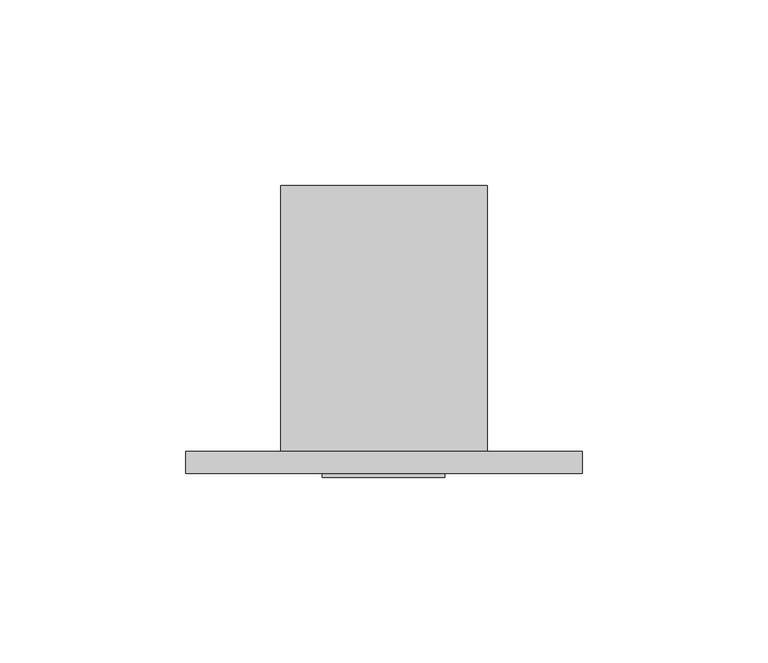
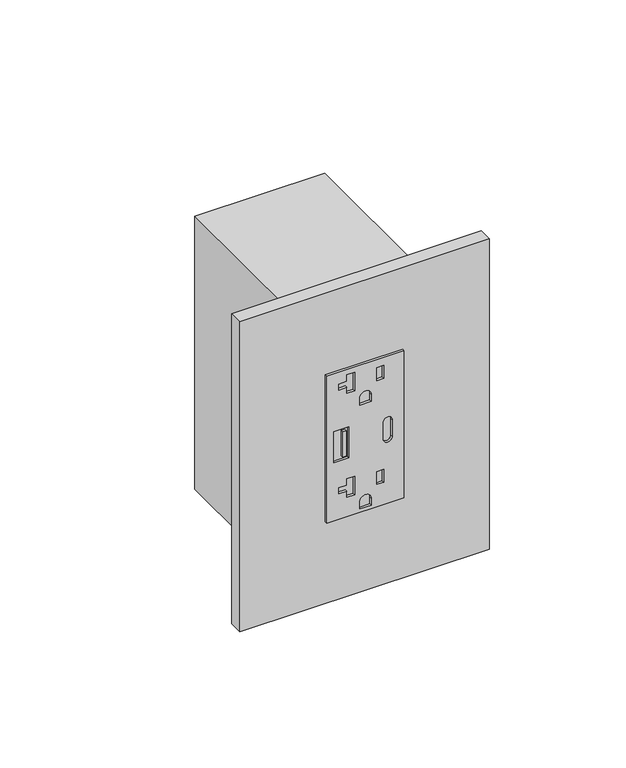
"""IFC4 building model written with IfcOpenShell, lengths in millimetres: proxy geometry."""

from ifc_helpers import new_model, si_unit, point, frame, frame_2d, origin, place, context, project, spatial, polyline, circle_curve, trimmed, segment, composite_curve, outline, extrude, source, transform, mapped, element, save


def electrical_fixtures_a27f54d7(model_context):
    return source(origin(), model_context, "Body", "SweptSolid", [
        extrude(outline(polyline([(414.274, 11.0998), (347.726, 11.0998), (347.726, 44.0944), (414.274, 44.0944), (414.274, 11.0998)]), holes=[polyline([(388.0485, 14.0236066), (388.0485, 20.5246617), (373.9515, 20.5246617), (373.9515, 14.0236066), (388.0485, 14.0236066)]), composite_curve([segment(trimmed(circle_curve(frame_2d((384.7846, 37.1348)), 1.905), [point((384.7846, 35.2298))], [point((384.7846, 39.0398))], True, "CARTESIAN"), True, "CONTINUOUS"), segment(polyline([(384.7846, 39.0398), (377.2154, 39.0398)]), True, "CONTINUOUS"), segment(trimmed(circle_curve(frame_2d((377.2154, 37.1348)), 1.905), [point((377.2154, 39.0398))], [point((377.2154, 35.2298))], True, "CARTESIAN"), True, "CONTINUOUS"), segment(polyline([(377.2154, 35.2298), (384.7846, 35.2298)]), True, "CONTINUOUS")], self_intersect=False), composite_curve([segment(polyline([(349.25, 30.0609), (349.25, 25.1333), (352.3488, 25.1333)]), True, "CONTINUOUS"), segment(trimmed(circle_curve(frame_2d((352.3488, 27.5971)), 2.4638), [point((352.3488, 25.1333))], [point((352.3488, 30.0609))], True, "CARTESIAN"), True, "CONTINUOUS"), segment(polyline([(352.3488, 30.0609), (349.25, 30.0609)]), True, "CONTINUOUS")], self_intersect=False), polyline([(364.8202, 22.9616), (356.5211661, 22.9616), (356.5211661, 19.6342), (359.2043639, 19.6342), (359.2043639, 16.1036), (361.9419812, 16.1036), (361.9419812, 19.6342), (364.8202, 19.6342), (364.8202, 22.9616)]), composite_curve([segment(polyline([(396.24, 25.1333), (399.3388, 25.1333)]), True, "CONTINUOUS"), segment(trimmed(circle_curve(frame_2d((399.3388, 27.5971)), 2.4638), [point((399.3388, 25.1333))], [point((399.3388, 30.0609))], True, "CARTESIAN"), True, "CONTINUOUS"), segment(polyline([(399.3388, 30.0609), (396.24, 30.0609), (396.24, 25.1333)]), True, "CONTINUOUS")], self_intersect=False), polyline([(404.7574649, 32.4358), (410.5806175, 32.4358), (410.5806175, 35.41014), (404.7574649, 35.41014), (404.7574649, 32.4358)]), polyline([(357.7674649, 32.4358), (363.5906175, 32.4358), (363.5906175, 35.41014), (357.7674649, 35.41014), (357.7674649, 32.4358)]), polyline([(411.8102, 22.9616), (403.5111661, 22.9616), (403.5111661, 19.6342), (406.1943639, 19.6342), (406.1943639, 16.1036), (408.9319812, 16.1036), (408.9319812, 19.6342), (411.8102, 19.6342), (411.8102, 22.9616)])]), frame((0.0, -6.9294746, 0.0), z_axis=(0.0, 1.0, 0.0), x_axis=(0.0, 0.0, 1.0)), (0.0, 0.0, 1.0), 1.0366746),
        extrude(outline(polyline([(19.314835, -6.9294746), (17.7939058, -6.9294746), (17.7939058, -5.8928), (19.314835, -5.8928), (19.314835, -6.9294746)])), frame((0.0, 0.0, 375.2741546), z_axis=(0.0, 0.0, 1.0), x_axis=(1.0, 0.0, 0.0)), (0.0, 0.0, 1.0), 11.4436352),
        extrude(outline(polyline([(-25.6794, 0.0), (81.2292, 0.0), (81.2292, -5.8928), (-25.6794, -5.8928), (-25.6794, 0.0)])), frame((0.0, 0.0, 310.8198), z_axis=(0.0, 0.0, 1.0), x_axis=(1.0, 0.0, 0.0)), (0.0, 0.0, 1.0), 140.3604),
        extrude(outline(polyline([(55.5498, 0.0), (0.0, 0.0), (0.0, 71.7296), (55.5498, 71.7296), (55.5498, 0.0)])), frame((0.0, 0.0, 319.2526), z_axis=(0.0, 0.0, 1.0), x_axis=(1.0, 0.0, 0.0)), (0.0, 0.0, 1.0), 123.4948),
    ])


if __name__ == "__main__":
    model = new_model("IFC4")
    model_context = context("Model", 3, world=origin())
    ifc_project = project(units=[si_unit("LENGTHUNIT", "METRE", prefix="MILLI")], contexts=[model_context])
    site = spatial("IfcSite", under=ifc_project)
    building = spatial("IfcBuilding", under=site)
    placement = place(None, origin())
    electrical_fixtures_shape = electrical_fixtures_a27f54d7(model_context)
    element("IfcBuildingElementProxy", 1, Name="Electrical Fixtures", at=placement, inside=building, context=model_context, shape_type="MappedRepresentation", body=[
        mapped(electrical_fixtures_shape, transform((0.0, 0.0, 0.0), x_axis=(1.0, 0.0, 0.0), y_axis=(0.0, 1.0, 0.0), z_axis=(0.0, 0.0, 1.0))),
    ])
    save(model, "model.ifc")
